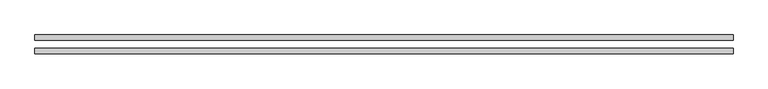
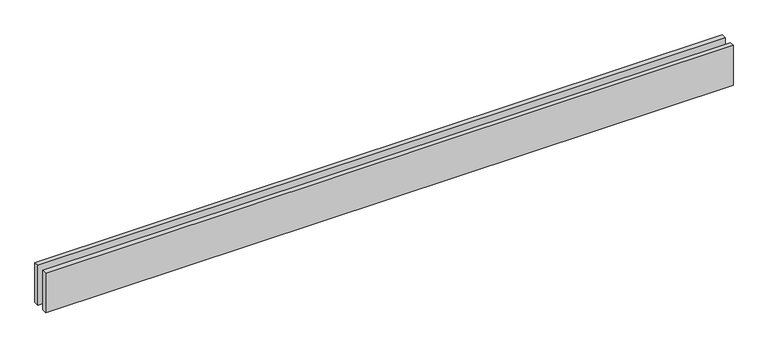
"""IFC4 building model written with IfcOpenShell, lengths in millimetres: proxy geometry."""

import ifcopenshell
import ifcopenshell.guid

model = None  # the IFC model being written
_history = None  # IfcOwnerHistory: only IFC2X3 demands one
_inside = {}  # id of a spatial element -> (the spatial element, [elements in it])
_under = {}  # id of a project, library or spatial element -> (it, [spatial elements below it])
_declared = {}  # id of a project -> (the project, [libraries it declares])
_typed = {}  # id of a type object -> (the type object, [elements of that type])
_made_of = {}  # id of a material, layer set ... -> (it, [elements and type objects made of it])


def new_model(schema):
    """Start an empty IFC model of exactly this schema.

    Asked for "IFC4X3", IfcOpenShell would pick the latest addendum, in which some entities
    have other attributes; the version numbers below select the first issue.
    IFC2X3 requires an IfcOwnerHistory on every rooted entity: one is made here for all.
    """
    global model, _history
    if schema == "IFC4X3":
        model = ifcopenshell.file(schema_version=(4, 3, 0, 0))
    else:
        model = ifcopenshell.file(schema=schema)
    _inside.clear()
    _under.clear()
    _declared.clear()
    _typed.clear()
    _made_of.clear()
    _history = None
    if model.schema == "IFC2X3":
        org = make("IfcOrganization", Name="unknown")
        user = make(
            "IfcPersonAndOrganization",
            ThePerson=make("IfcPerson", FamilyName="unknown"),
            TheOrganization=org,
        )
        app = make(
            "IfcApplication",
            ApplicationDeveloper=org,
            Version="unknown",
            ApplicationFullName="unknown",
            ApplicationIdentifier="unknown",
        )
        _history = make(
            "IfcOwnerHistory",
            OwningUser=user,
            OwningApplication=app,
            ChangeAction="ADDED",
            CreationDate=0,
        )
    return model


def make(cls, **values):
    """One entity of the class cls with the attributes given. An attribute that is None is left unset."""
    return model.create_entity(
        cls, **{name: value for name, value in values.items() if value is not None}
    )


def rooted(cls, **values):
    """An entity with a GlobalId (a new one), such as an element, a storey or a relation."""
    return make(cls, GlobalId=ifcopenshell.guid.new(), OwnerHistory=_history, **values)


def si_unit(unit_type, name, prefix=None):
    """IfcSIUnit, for example si_unit("LENGTHUNIT", "METRE", prefix="MILLI")."""
    return make("IfcSIUnit", UnitType=unit_type, Prefix=prefix, Name=name)


def assignment(units):
    """IfcUnitAssignment: the units of a project."""
    return None if units is None else make("IfcUnitAssignment", Units=units)


def point(xyz):
    """IfcCartesianPoint."""
    return None if xyz is None else make("IfcCartesianPoint", Coordinates=xyz)


def direction(xyz):
    """IfcDirection."""
    return None if xyz is None else make("IfcDirection", DirectionRatios=xyz)


def frame(location, z_axis=None, x_axis=None):
    """IfcAxis2Placement3D, a coordinate frame: its origin and axes. An axis left out is left unset."""
    return make(
        "IfcAxis2Placement3D",
        Location=point(location),
        Axis=direction(z_axis),
        RefDirection=direction(x_axis),
    )


def origin():
    """The frame at (0, 0, 0) with its axes left unset."""
    return frame((0.0, 0.0, 0.0))


def origin_with_axes():
    """The frame at (0, 0, 0) with the z axis (0, 0, 1) and the x axis (1, 0, 0) written out."""
    return frame((0.0, 0.0, 0.0), z_axis=(0.0, 0.0, 1.0), x_axis=(1.0, 0.0, 0.0))


def place(relative_to, where):
    """IfcLocalPlacement: puts the frame where relative to a parent placement (None: the world)."""
    return make(
        "IfcLocalPlacement", PlacementRelTo=relative_to, RelativePlacement=where
    )


def context(
    kind, dimensions, precision=None, world=None, true_north=None, identifier=None
):
    """IfcGeometricRepresentationContext, for example the 3D "Model" context."""
    return make(
        "IfcGeometricRepresentationContext",
        ContextIdentifier=identifier,
        ContextType=kind,
        CoordinateSpaceDimension=dimensions,
        Precision=precision,
        WorldCoordinateSystem=world,
        TrueNorth=true_north,
    )


def project(units=None, contexts=None):
    """IfcProject with its units and contexts."""
    return rooted(
        "IfcProject",
        Name="project",
        RepresentationContexts=contexts,
        UnitsInContext=assignment(units),
    )


def spatial(cls, under=None, at=None, **own):
    """A site, building, storey or space (cls), placed at a placement, below another one or the project."""
    s = rooted(cls, ObjectPlacement=at, **own)
    if under is not None:
        _under.setdefault(under.id(), (under, []))[1].append(s)
    return s


def polyline(points):
    """IfcPolyline through the points."""
    return make("IfcPolyline", Points=[point(p) for p in points])


def outline(outer, holes=None, kind="AREA"):
    """IfcArbitraryClosedProfileDef: a profile drawn as a closed curve; with holes, ...WithVoids."""
    if holes is None:
        return make("IfcArbitraryClosedProfileDef", ProfileType=kind, OuterCurve=outer)
    return make(
        "IfcArbitraryProfileDefWithVoids",
        ProfileType=kind,
        OuterCurve=outer,
        InnerCurves=holes,
    )


def extrude(swept, where, along, depth):
    """IfcExtrudedAreaSolid: the profile swept, set in the frame where, extruded along a direction by depth."""
    return make(
        "IfcExtrudedAreaSolid",
        SweptArea=swept,
        Position=where,
        ExtrudedDirection=direction(along),
        Depth=depth,
    )


def shape(context_of_items, identifier, shape_type, items):
    """IfcShapeRepresentation: the items that make up one representation, for example the "Body"."""
    return make(
        "IfcShapeRepresentation",
        ContextOfItems=context_of_items,
        RepresentationIdentifier=identifier,
        RepresentationType=shape_type,
        Items=items,
    )


def source(mapping_origin, context_of_items, identifier, shape_type, items):
    """IfcRepresentationMap: a shape defined once, which mapped items show again and again."""
    return make(
        "IfcRepresentationMap",
        MappingOrigin=mapping_origin,
        MappedRepresentation=shape(context_of_items, identifier, shape_type, items),
    )


def transform(
    local_origin,
    x_axis=None,
    y_axis=None,
    z_axis=None,
    scale=None,
    scale2=None,
    scale3=None,
    uniform=True,
):
    """IfcCartesianTransformationOperator3D, or its non-uniform kind. x_axis, y_axis, z_axis: its Axis1, 2, 3."""
    if uniform:
        return make(
            "IfcCartesianTransformationOperator3D",
            Axis1=direction(x_axis),
            Axis2=direction(y_axis),
            LocalOrigin=point(local_origin),
            Scale=scale,
            Axis3=direction(z_axis),
        )
    return make(
        "IfcCartesianTransformationOperator3DnonUniform",
        Axis1=direction(x_axis),
        Axis2=direction(y_axis),
        LocalOrigin=point(local_origin),
        Scale=scale,
        Axis3=direction(z_axis),
        Scale2=scale2,
        Scale3=scale3,
    )


def mapped(mapping_source, mapping_target):
    """IfcMappedItem: shows the shape of a source again, moved by a transform."""
    return make(
        "IfcMappedItem", MappingSource=mapping_source, MappingTarget=mapping_target
    )


def made_of(thing, what):
    """Note that an element or type object is made of a material, layer set ...; save() writes the relation."""
    if what is not None:
        _made_of.setdefault(what.id(), (what, []))[1].append(thing)
    return thing


def element(
    cls,
    number,
    at=None,
    inside=None,
    cuts=None,
    type_object=None,
    material=None,
    context=None,
    identifier="Body",
    shape_type=None,
    held_by="IfcProductDefinitionShape",
    body=None,
    shapes=None,
    **own,
):
    """One element of the class cls, such as IfcWall. Its Tag is "e" and its number.

    at: its placement. inside: the storey or other place that contains it. cuts: it is an
    opening in that element (IfcRelVoidsElement). A single representation is given by context,
    identifier, shape_type and body (its items); several are given by shapes. held_by: the class
    of the entity that holds the representations. save() writes the other relations.
    """
    e = rooted(cls, Tag="e%d" % number, ObjectPlacement=at, **own)
    if body is not None:
        shapes = [shape(context, identifier, shape_type, body)]
    if shapes is not None:
        e.Representation = make(held_by, Representations=shapes)
    if inside is not None:
        _inside.setdefault(inside.id(), (inside, []))[1].append(e)
    if cuts is not None:
        rooted(
            "IfcRelVoidsElement", RelatingBuildingElement=cuts, RelatedOpeningElement=e
        )
    if type_object is not None:
        _typed.setdefault(type_object.id(), (type_object, []))[1].append(e)
    return made_of(e, material)


def aggregate(whole, parts):
    """IfcRelAggregates: a whole, such as a stair, and the parts it consists of."""
    return rooted("IfcRelAggregates", RelatingObject=whole, RelatedObjects=parts)


def save(model, path):
    """Write the relations noted so far, then the file.

    IfcRelAggregates (storeys below a building ...), IfcRelContainedInSpatialStructure (elements
    in a storey), IfcRelDefinesByType, IfcRelAssociatesMaterial and IfcRelDeclares: one each for
    every whole, place, type object, material and project.
    """
    for whole, parts in _under.values():
        aggregate(whole, parts)
    for where, things in _inside.values():
        rooted(
            "IfcRelContainedInSpatialStructure",
            RelatedElements=things,
            RelatingStructure=where,
        )
    for kind, things in _typed.values():
        rooted("IfcRelDefinesByType", RelatedObjects=things, RelatingType=kind)
    for what, things in _made_of.values():
        rooted("IfcRelAssociatesMaterial", RelatedObjects=things, RelatingMaterial=what)
    for by, libraries in _declared.values():
        rooted("IfcRelDeclares", RelatingContext=by, RelatedDefinitions=libraries)
    model.write(path)


def generic_models_acf0ad07(model_context):
    return source(origin(), model_context, "Body", "SweptSolid", [
        extrude(outline(polyline([(4110.0, -25.0), (4110.0, -55.0), (0.0, -55.0), (0.0, -25.0), (4110.0, -25.0)])), origin_with_axes(), (0.0, 0.0, 1.0), 250.0),
        extrude(outline(polyline([(4110.0, 55.0), (4110.0, 25.0), (0.0, 25.0), (0.0, 55.0), (4110.0, 55.0)])), origin_with_axes(), (0.0, 0.0, 1.0), 250.0),
    ])


if __name__ == "__main__":
    model = new_model("IFC4")
    model_context = context("Model", 3, world=origin())
    ifc_project = project(units=[si_unit("LENGTHUNIT", "METRE", prefix="MILLI")], contexts=[model_context])
    site = spatial("IfcSite", under=ifc_project)
    building = spatial("IfcBuilding", under=site)
    placement = place(None, origin())
    generic_models_shape = generic_models_acf0ad07(model_context)
    element("IfcBuildingElementProxy", 1, Name="Generic Models", at=placement, inside=building, context=model_context, shape_type="MappedRepresentation", body=[
        mapped(generic_models_shape, transform((0.0, 0.0, 0.0), x_axis=(1.0, 0.0, 0.0), y_axis=(0.0, 1.0, 0.0), z_axis=(0.0, 0.0, 1.0))),
    ])
    save(model, "model.ifc")
